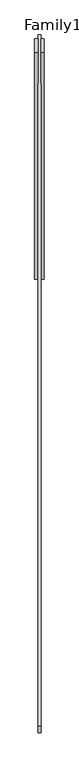
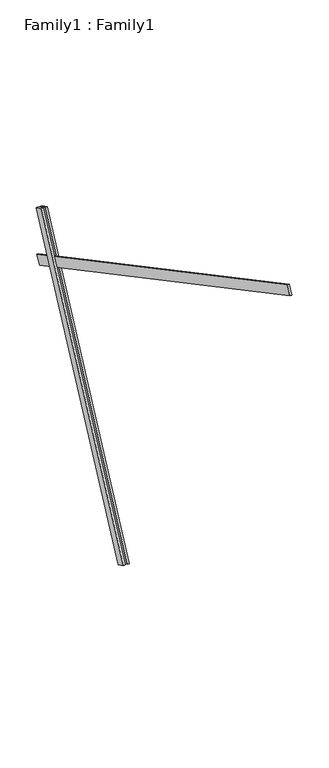
"""IFC4 building model written with IfcOpenShell, lengths in millimetres: proxy geometry, Family1 : Family1."""

from ifc_helpers import new_model, si_unit, frame, origin, place, context, project, spatial, polyline, outline, extrude, source, transform, mapped, element, save


def family1_family1_0a8b904e(model_context):
    return source(origin(), model_context, "Body", "SweptSolid", [
        extrude(outline(polyline([(0.0, 0.0), (0.0, -20.0), (-100.0000001, -20.0), (-100.0000001, 0.0), (0.0, 0.0)])), frame((-30.0, 46.3241747, -22.5938096), z_axis=(0.0, 0.4383711467890692, 0.8987940462991711), x_axis=(0.0, 0.8987940462991711, -0.4383711467890692)), (0.0, 0.0, 1.0), 3300.0),
        extrude(outline(polyline([(0.0, 0.0), (0.0, -20.0), (-99.9999999, -20.0), (-99.9999999, 0.0), (0.0, 0.0)])), frame((10.0, 45.270232, -22.0797674), z_axis=(0.0, 0.4383711467890692, 0.8987940462991711), x_axis=(0.0, 0.8987940462991711, -0.4383711467890692)), (0.0, 0.0, 1.0), 3300.0),
        extrude(outline(polyline([(0.0, -20.0), (0.0, 0.0), (5000.0, 0.0), (5000.0, -20.0), (0.0, -20.0)])), frame((-10.0, -2944.3538918, 4678.1765668), z_axis=(0.0, 0.46947156278589286, 0.882947592858926), x_axis=(0.0, 0.882947592858926, -0.46947156278589286)), (0.0, 0.0, 1.0), 100.0),
    ])


if __name__ == "__main__":
    model = new_model("IFC4")
    model_context = context("Model", 3, world=origin())
    ifc_project = project(units=[si_unit("LENGTHUNIT", "METRE", prefix="MILLI")], contexts=[model_context])
    site = spatial("IfcSite", under=ifc_project)
    building = spatial("IfcBuilding", under=site)
    placement = place(None, origin())
    family1_family1_shape = family1_family1_0a8b904e(model_context)
    element("IfcBuildingElementProxy", 1, Name="Family1 : Family1", ObjectType="Family1 : Family1", at=placement, inside=building, context=model_context, shape_type="MappedRepresentation", body=[
        mapped(family1_family1_shape, transform((0.0, 0.0, 0.0), x_axis=(1.0, 0.0, 0.0), y_axis=(0.0, 1.0, 0.0), z_axis=(0.0, 0.0, 1.0))),
    ])
    save(model, "model.ifc")
